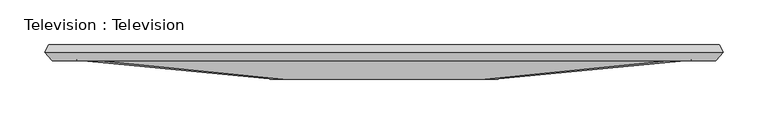
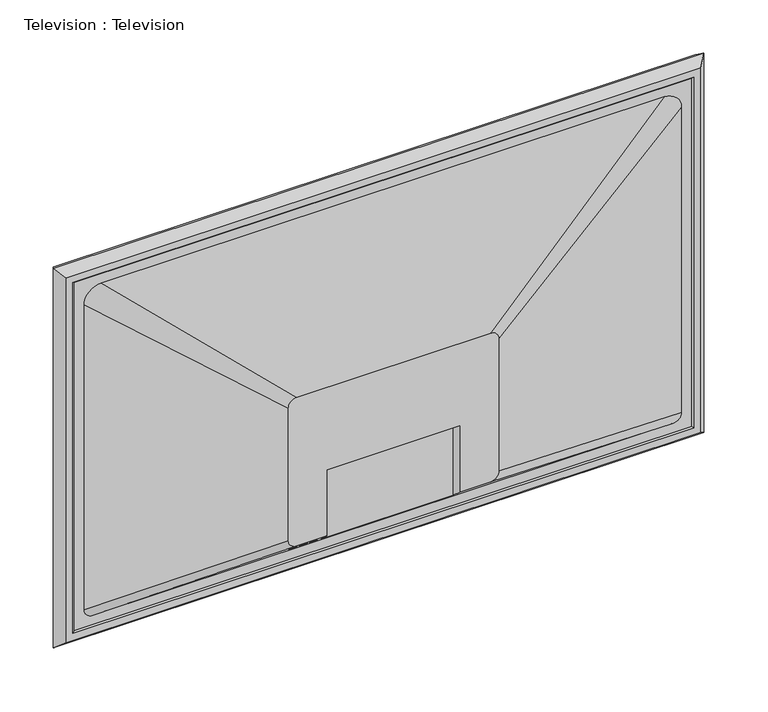
"""IFC4 building model written with IfcOpenShell, lengths in millimetres: proxy geometry, Television : Television."""

from ifc_helpers import new_model, si_unit, point, frame, origin, place, context, project, spatial, polyline, circle_curve, ellipse_curve, trimmed, outline, extrude, faceted_brep, source, transform, mapped, element, save
from ifc_brep_helpers import plane_surface, revolved_surface, extruded_surface, spline_surface, advanced_brep


def television_television_4ffe4392(model_context):
    return source(origin(), model_context, "Body", "SolidModel", [
        faceted_brep([(-245.0, 164.8375, 1924.0), (-245.0, 148.8375, 1924.0), (-245.0, 148.8375, 1476.0), (-245.0, 164.8375, 1476.0), (-241.9959269, 165.8375, 1920.9959269), (-240.6768394, 164.8375, 1919.6768394), (-240.6768394, 164.8375, 1480.3231606), (-241.9959269, 165.8375, 1479.0040731), (-255.9259805, 157.3334377, 1934.9259805), (-251.0289147, 165.8375, 1930.0289147), (-251.0289147, 165.8375, 1469.9710853), (-255.9259805, 157.3334377, 1465.0740195), (-247.0701472, 147.8375, 1926.0701472), (-247.0701472, 147.8375, 1473.9298528), (-236.8560519, 148.8375, 1915.8560519), (-238.5579741, 147.8375, 1917.5579741), (-238.5579741, 147.8375, 1482.4420259), (-236.8560519, 148.8375, 1484.1439481), (495.0, 148.8375, 1476.0), (495.0, 164.8375, 1476.0), (490.6768394, 164.8375, 1480.3231606), (491.9959269, 165.8375, 1479.0040731), (501.0289147, 165.8375, 1469.9710853), (505.9259805, 157.3334377, 1465.0740195), (497.0701472, 147.8375, 1473.9298528), (488.5579741, 147.8375, 1482.4420259), (486.8560519, 148.8375, 1484.1439481), (495.0, 148.8375, 1924.0), (495.0, 164.8375, 1924.0), (490.6768394, 164.8375, 1919.6768394), (491.9959269, 165.8375, 1920.9959269), (501.0289147, 165.8375, 1930.0289147), (505.9259805, 157.3334377, 1934.9259805), (497.0701472, 147.8375, 1926.0701472), (488.5579741, 147.8375, 1917.5579741), (486.8560519, 148.8375, 1915.8560519)], [[[0, 1, 2, 3]], [[4, 5, 6, 7]], [[8, 9, 10, 11]], [[12, 8, 11, 13]], [[14, 15, 16, 17]], [[3, 2, 18, 19]], [[7, 6, 20, 21]], [[11, 10, 22, 23]], [[13, 11, 23, 24]], [[17, 16, 25, 26]], [[19, 18, 27, 28]], [[21, 20, 29, 30]], [[23, 22, 31, 32]], [[24, 23, 32, 33]], [[26, 25, 34, 35]], [[28, 27, 1, 0]], [[3, 19, 28, 0], [5, 29, 20, 6]], [[30, 29, 5, 4]], [[9, 31, 22, 10], [7, 21, 30, 4]], [[32, 31, 9, 8]], [[33, 32, 8, 12]], [[13, 24, 33, 12], [15, 34, 25, 16]], [[35, 34, 15, 14]], [[1, 27, 18, 2], [17, 26, 35, 14]]]),
        advanced_brep(
        [(-205.0, 148.8375, 1904.0), (455.0, 148.8375, 1904.0), (475.0, 148.8375, 1884.0), (475.0, 148.8375, 1506.0), (465.0, 148.8375, 1496.0), (-215.0, 148.8375, 1496.0), (-225.0, 148.8375, 1506.0), (-225.0, 148.8375, 1884.0), (11.6666667, 126.8375, 1700.0), (1.6666667, 126.8375, 1690.0), (1.6666667, 126.8375, 1526.0), (11.6666667, 126.8375, 1516.0), (46.6666667, 126.8375, 1516.0), (46.6666667, 126.8375, 1598.0), (203.3333333, 126.8375, 1598.0), (203.3333333, 126.8375, 1516.0), (238.3333333, 126.8375, 1516.0), (248.3333333, 126.8375, 1526.0), (248.3333333, 126.8375, 1690.0), (238.3333333, 126.8375, 1700.0), (203.3333333, 142.8375, 1501.4545455), (46.6666667, 142.8375, 1501.4545455), (20.843372, 136.8375, 1506.9090909), (28.843372, 136.8375, 1506.9090909), (32.8393281, 136.8375, 1506.9090909), (40.8393281, 136.8375, 1506.9090909), (8.7618145, 136.8375, 1506.9090909), (16.7618145, 136.8375, 1506.9090909), (203.3333333, 142.8375, 1598.0), (46.6666667, 142.8375, 1598.0), (20.843372, 136.8375, 1528.0), (24.843372, 136.8375, 1528.0), (28.843372, 136.8375, 1528.0), (32.8393281, 136.8375, 1528.0), (36.8393281, 136.8375, 1528.0), (40.8393281, 136.8375, 1528.0), (8.7618145, 136.8375, 1528.0), (12.7618145, 136.8375, 1528.0), (16.7618145, 136.8375, 1528.0)],
        [
            (0, 1),
            (1, 2, circle_curve(frame((455.0, 148.8375, 1884.0), z_axis=(0.0, 1.0, 0.0), x_axis=(-1.0, 0.0, 0.0)), 20.0)),
            (2, 3),
            (3, 4, circle_curve(frame((465.0, 148.8375, 1506.0), z_axis=(0.0, 1.0, 0.0), x_axis=(-1.0, 0.0, 0.0)), 10.0)),
            (4, 5),
            (5, 6, circle_curve(frame((-215.0, 148.8375, 1506.0), z_axis=(0.0, 1.0, 0.0), x_axis=(-1.0, 0.0, 0.0)), 10.0)),
            (6, 7),
            (7, 0, circle_curve(frame((-205.0, 148.8375, 1884.0), z_axis=(0.0, 1.0, 0.0), x_axis=(-1.0, 0.0, 0.0)), 20.0)),
            (8, 9, circle_curve(frame((11.6666667, 126.8375, 1690.0), z_axis=(0.0, -1.0, 0.0), x_axis=(-1.0, 0.0, 0.0)), 10.0)),
            (9, 10),
            (10, 11, circle_curve(frame((11.6666667, 126.8375, 1526.0), z_axis=(0.0, -1.0, 0.0), x_axis=(-1.0, 0.0, 0.0)), 10.0)),
            (11, 12),
            (12, 13),
            (13, 14),
            (14, 15),
            (15, 16),
            (16, 17, circle_curve(frame((238.3333333, 126.8375, 1526.0), z_axis=(0.0, -1.0, 0.0), x_axis=(-1.0, 0.0, 0.0)), 10.0)),
            (17, 18),
            (18, 19, circle_curve(frame((238.3333333, 126.8375, 1690.0), z_axis=(0.0, -1.0, 0.0), x_axis=(-1.0, 0.0, 0.0)), 10.0)),
            (19, 8),
            (0, 8),
            (19, 1),
            (18, 2),
            (17, 3),
            (16, 4),
            (15, 20),
            (20, 21),
            (21, 12),
            (11, 5),
            (22, 23, ellipse_curve(frame((24.843372, 136.8375, 1506.9090909), z_axis=(0.0, 0.6726727939965181, 0.7399400733957568), x_axis=(0.0, 0.7399400733957568, -0.6726727939965181)), 5.4058432, 4.0)),
            (23, 22, ellipse_curve(frame((24.843372, 136.8375, 1506.9090909), z_axis=(0.0, 0.6726727939965181, 0.7399400733957568), x_axis=(0.0, 0.7399400733957568, -0.6726727939965181)), 5.4058432, 4.0)),
            (24, 25, ellipse_curve(frame((36.8393281, 136.8375, 1506.9090909), z_axis=(0.0, 0.6726727939965181, 0.7399400733957568), x_axis=(0.0, 0.7399400733957568, -0.6726727939965181)), 5.4058432, 4.0)),
            (25, 24, ellipse_curve(frame((36.8393281, 136.8375, 1506.9090909), z_axis=(0.0, 0.6726727939965181, 0.7399400733957568), x_axis=(0.0, 0.7399400733957568, -0.6726727939965181)), 5.4058432, 4.0)),
            (26, 27, ellipse_curve(frame((12.7618145, 136.8375, 1506.9090909), z_axis=(0.0, 0.6726727939965181, 0.7399400733957568), x_axis=(0.0, 0.7399400733957568, -0.6726727939965181)), 5.4058432, 4.0)),
            (27, 26, ellipse_curve(frame((12.7618145, 136.8375, 1506.9090909), z_axis=(0.0, 0.6726727939965181, 0.7399400733957568), x_axis=(0.0, 0.7399400733957568, -0.6726727939965181)), 5.4058432, 4.0)),
            (10, 6),
            (9, 7),
            (28, 29),
            (29, 21),
            (20, 28),
            (28, 14),
            (13, 29),
            (30, 31),
            (31, 32),
            (32, 30, circle_curve(frame((24.843372, 136.8375, 1528.0), z_axis=(0.0, 0.0, -1.0), x_axis=(1.0, 0.0, 0.0)), 4.0)),
            (30, 32, circle_curve(frame((24.843372, 136.8375, 1528.0), z_axis=(0.0, 0.0, -1.0), x_axis=(1.0, 0.0, 0.0)), 4.0)),
            (32, 23),
            (22, 30),
            (33, 34),
            (34, 35),
            (35, 33, circle_curve(frame((36.8393281, 136.8375, 1528.0), z_axis=(0.0, 0.0, -1.0), x_axis=(1.0, 0.0, 0.0)), 4.0)),
            (33, 35, circle_curve(frame((36.8393281, 136.8375, 1528.0), z_axis=(0.0, 0.0, -1.0), x_axis=(1.0, 0.0, 0.0)), 4.0)),
            (35, 25),
            (24, 33),
            (36, 37),
            (37, 38),
            (38, 36, circle_curve(frame((12.7618145, 136.8375, 1528.0), z_axis=(0.0, 0.0, -1.0), x_axis=(1.0, 0.0, 0.0)), 4.0)),
            (36, 38, circle_curve(frame((12.7618145, 136.8375, 1528.0), z_axis=(0.0, 0.0, -1.0), x_axis=(1.0, 0.0, 0.0)), 4.0)),
            (38, 27),
            (26, 36),
        ],
        [
            plane_surface(frame((125.0, 148.8375, 1697.5), z_axis=(0.0, 1.0, 0.0), x_axis=(1.0, 0.0, 0.0))),
            plane_surface(frame((125.0, 126.8375, 1608.0), z_axis=(0.0, -1.0, 0.0), x_axis=(1.0, 0.0, 0.0))),
            plane_surface(frame((125.0, 126.8375, 1700.0), z_axis=(0.0, -0.9942351648103032, 0.10722143934227649), x_axis=(1.0, 0.0, 0.0))),
            spline_surface(2, 1, [[(238.3333333, 126.8375, 1700.0), (455.0, 148.8375, 1904.0)], [(248.3333333, 126.8375, 1700.0), (475.0, 148.8375, 1904.0)], [(248.3333333, 126.8375, 1690.0), (475.0, 148.8375, 1884.0)]], [3, 3], [2, 2], [0.0, 1.0], [0.0, 1.0], weights=[[1.0, 1.0], [0.7071067811865476, 0.7071067811865476], [1.0, 1.0]]),
            plane_surface(frame((248.3333333, 126.8375, 1608.0), z_axis=(0.09660486119908275, -0.995322812354216, 0.0), x_axis=(0.0, 0.0, -1.0))),
            extruded_surface(trimmed(circle_curve(frame((238.3333333, 126.8375, 1526.0), z_axis=(0.0, 1.0, 0.0), x_axis=(-1.0, 0.0, 0.0)), 10.0), [point((248.3333333, 126.8375, 1526.0))], [point((238.3333333, 126.8375, 1516.0))], True, "CARTESIAN"), (226.6666667, 22.0, -20.0), 228.60835022564004),
            plane_surface(frame((125.0, 126.8375, 1516.0), z_axis=(0.0, -0.6726727939965181, -0.7399400733957568), x_axis=(-1.0, 0.0, 0.0))),
            extruded_surface(trimmed(circle_curve(frame((11.6666667, 126.8375, 1526.0), z_axis=(0.0, 1.0, 0.0), x_axis=(-1.0, 0.0, 0.0)), 10.0), [point((11.6666667, 126.8375, 1516.0))], [point((1.6666667, 126.8375, 1526.0))], True, "CARTESIAN"), (-226.6666667, 22.0, -20.0), 228.60835022564004),
            plane_surface(frame((1.6666667, 126.8375, 1608.0), z_axis=(-0.09660486119908822, -0.9953228123542156, 0.0), x_axis=(0.0, 0.0, 1.0))),
            spline_surface(2, 1, [[(1.6666667, 126.8375, 1690.0), (-225.0, 148.8375, 1884.0)], [(1.6666667000000004, 126.8375, 1700.0), (-225.0, 148.8375, 1904.0)], [(11.6666667, 126.8375, 1700.0), (-205.0, 148.8375, 1904.0)]], [3, 3], [2, 2], [0.0, 1.0], [0.0, 1.0], weights=[[1.0, 1.0], [0.7071067811865476, 0.7071067811865476], [1.0, 1.0]]),
            plane_surface(frame((203.3333333, 142.8375, 1598.0), z_axis=(0.0, -1.0, 0.0), x_axis=(1.0, 0.0, 0.0))),
            plane_surface(frame((46.6666667, 142.8375, 1598.0), z_axis=(0.0, 0.0, -1.0), x_axis=(0.0, -1.0, 0.0))),
            plane_surface(frame((203.3333333, 142.8375, 1598.0), z_axis=(-1.0, 0.0, 0.0), x_axis=(0.0, -1.0, 0.0))),
            plane_surface(frame((46.6666667, 142.8375, 1476.0), z_axis=(1.0, 0.0, 0.0), x_axis=(0.0, -1.0, 0.0))),
            plane_surface(frame((24.843372, 136.8375, 1528.0), z_axis=(0.0, 0.0, -1.0), x_axis=(1.0, 0.0, 0.0))),
            revolved_surface(polyline([(28.843372, 136.8375, 1503.2727272507489), (28.843372, 136.8375, 1528.0)]), (24.843372, 136.8375, 1422.1439481), (0.0, 0.0, -1.0)),
            plane_surface(frame((36.8393281, 136.8375, 1528.0), z_axis=(0.0, 0.0, -1.0), x_axis=(1.0, 0.0, 0.0))),
            revolved_surface(polyline([(40.8393281, 136.8375, 1503.2727272507489), (40.8393281, 136.8375, 1528.0)]), (36.8393281, 136.8375, 1422.1439481), (0.0, 0.0, -1.0)),
            plane_surface(frame((12.7618145, 136.8375, 1528.0), z_axis=(0.0, 0.0, -1.0), x_axis=(1.0, 0.0, 0.0))),
            revolved_surface(polyline([(16.7618145, 136.8375, 1503.2727272507489), (16.7618145, 136.8375, 1528.0)]), (12.7618145, 136.8375, 1422.1439481), (0.0, 0.0, -1.0)),
        ],
        [
            (0, [[1, 2, 3, 4, 5, 6, 7, 8]]),
            (1, [[9, 10, 11, 12, 13, 14, 15, 16, 17, 18, 19, 20]]),
            (2, [[-1, 21, -20, 22]]),
            (3, [[-2, -22, -19, 23]]),
            (4, [[-3, -23, -18, 24]]),
            (5, [[-4, -24, -17, 25]]),
            (6, [[-5, -25, -16, 26, 27, 28, -12, 29], [30, 31], [32, 33], [34, 35]]),
            (7, [[-6, -29, -11, 36]]),
            (8, [[-7, -36, -10, 37]]),
            (9, [[-8, -37, -9, -21]]),
            (10, [[38, 39, -27, 40]]),
            (11, [[-38, 41, -14, 42]]),
            (12, [[-41, -40, -26, -15]]),
            (13, [[-42, -13, -28, -39]]),
            (14, [[43, 44, 45]]),
            (14, [[-43, 46, -44]]),
            (15, [[-45, 47, -30, 48]]),
            (15, [[-46, -48, -31, -47]]),
            (16, [[49, 50, 51]]),
            (16, [[-49, 52, -50]]),
            (17, [[-51, 53, -32, 54]]),
            (17, [[-52, -54, -33, -53]]),
            (18, [[55, 56, 57]]),
            (18, [[-55, 58, -56]]),
            (19, [[-57, 59, -34, 60]]),
            (19, [[-58, -60, -35, -59]]),
        ],
    ),
        extrude(outline(polyline([(-245.0, 164.8375), (495.0, 164.8375), (495.0, 148.8375), (-245.0, 148.8375), (-245.0, 164.8375)])), frame((0.0, 0.0, 1476.0), z_axis=(0.0, 0.0, 1.0), x_axis=(1.0, 0.0, 0.0)), (0.0, 0.0, 1.0), 448.0),
    ])


if __name__ == "__main__":
    model = new_model("IFC4")
    model_context = context("Model", 3, world=origin())
    ifc_project = project(units=[si_unit("LENGTHUNIT", "METRE", prefix="MILLI")], contexts=[model_context])
    site = spatial("IfcSite", under=ifc_project)
    building = spatial("IfcBuilding", under=site)
    placement = place(None, origin())
    television_television_shape = television_television_4ffe4392(model_context)
    element("IfcBuildingElementProxy", 1, Name="Television : Television", ObjectType="Television : Television", at=placement, inside=building, context=model_context, shape_type="MappedRepresentation", body=[
        mapped(television_television_shape, transform((0.0, 0.0, 0.0), x_axis=(1.0, 0.0, 0.0), y_axis=(0.0, 1.0, 0.0), z_axis=(0.0, 0.0, 1.0))),
    ])
    save(model, "model.ifc")
